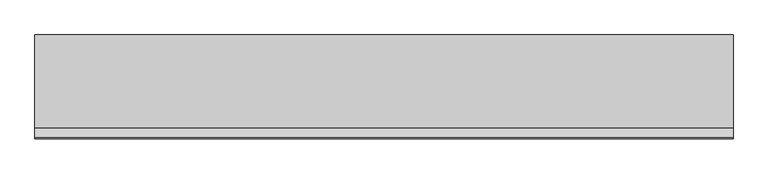
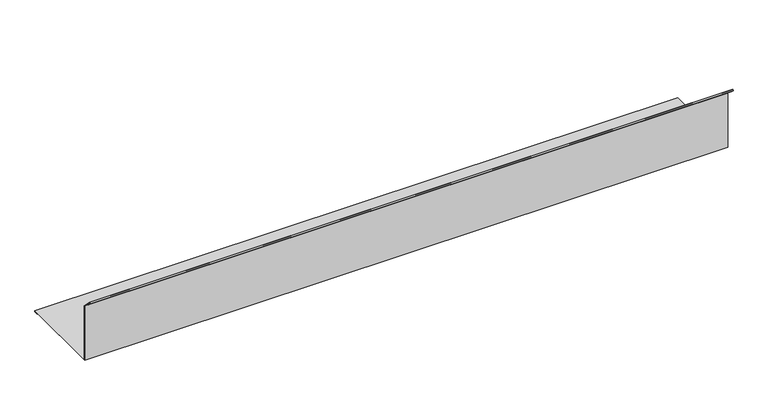
"""IFC4 building model written with IfcOpenShell, lengths in millimetres: proxy geometry."""

from ifc_helpers import new_model, si_unit, frame, origin, place, context, project, spatial, polyline, outline, extrude, source, transform, mapped, element, save


def generic_models_297b4b42(model_context):
    return source(origin(), model_context, "Body", "SweptSolid", [
        extrude(outline(polyline([(29.0, 5.0), (229.0, 5.0), (229.0, 2.0), (219.0, 2.0), (219.0, 3.0), (228.0, 3.0), (228.0, 4.0), (28.0, 4.0), (28.0, 138.0735165), (7.7867966, 158.2867199), (7.0796898, 157.5796131), (13.4436508, 151.2156521), (12.736544, 150.5085453), (5.6654762, 157.5796131), (7.7867966, 159.7009335), (29.0, 138.48773), (29.0, 5.0)])), frame((0.0, 0.0, 0.0), z_axis=(1.0, 0.0, 0.0), x_axis=(0.0, 1.0, 0.0)), (0.0, 0.0, 1.0), 1500.0),
    ])


if __name__ == "__main__":
    model = new_model("IFC4")
    model_context = context("Model", 3, world=origin())
    ifc_project = project(units=[si_unit("LENGTHUNIT", "METRE", prefix="MILLI")], contexts=[model_context])
    site = spatial("IfcSite", under=ifc_project)
    building = spatial("IfcBuilding", under=site)
    placement = place(None, origin())
    generic_models_shape = generic_models_297b4b42(model_context)
    element("IfcBuildingElementProxy", 1, Name="Generic Models", at=placement, inside=building, context=model_context, shape_type="MappedRepresentation", body=[
        mapped(generic_models_shape, transform((0.0, 0.0, 0.0), x_axis=(1.0, 0.0, 0.0), y_axis=(0.0, 1.0, 0.0), z_axis=(0.0, 0.0, 1.0))),
    ])
    save(model, "model.ifc")
